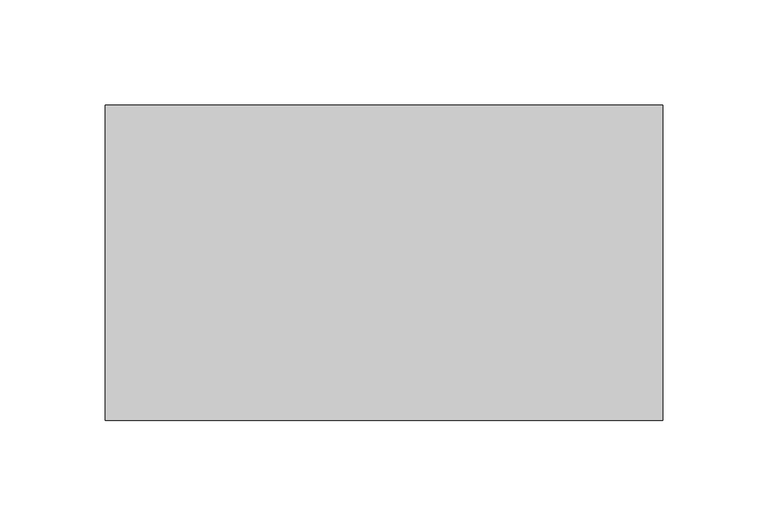
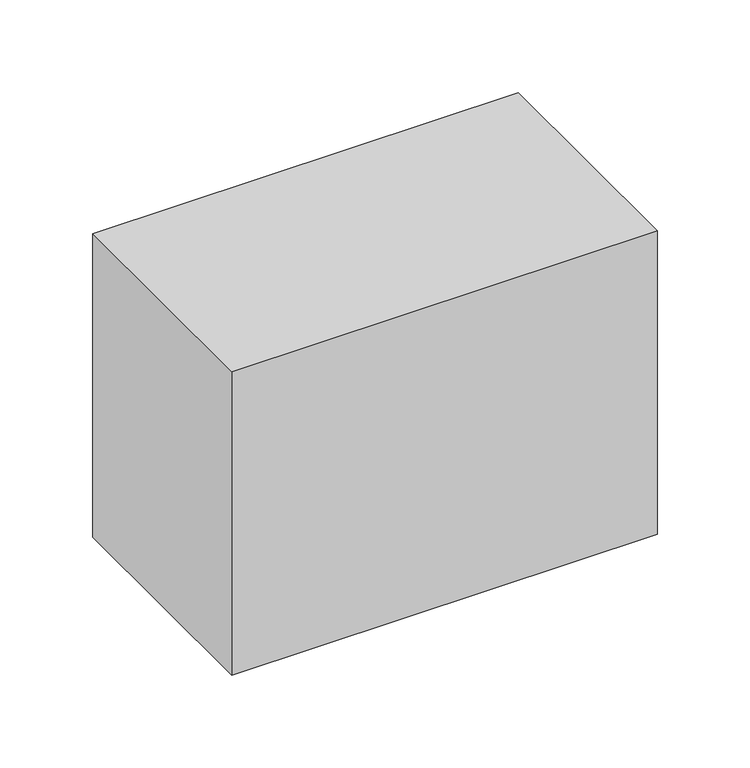
"""IFC4 building model written with IfcOpenShell, lengths in millimetres: proxy geometry."""

from ifc_helpers import new_model, si_unit, frame, origin, place, context, project, spatial, polyline, outline, extrude, source, transform, mapped, element, save


def generic_models_43026be4(model_context):
    return source(origin(), model_context, "Body", "SweptSolid", [
        extrude(outline(polyline([(132.5, 75.0), (132.5, -75.0), (-132.5, -75.0), (-132.5, 75.0), (132.5, 75.0)])), frame((0.0, 0.0, -200.0), z_axis=(0.0, 0.0, 1.0), x_axis=(1.0, 0.0, 0.0)), (0.0, 0.0, 1.0), 200.0),
    ])


if __name__ == "__main__":
    model = new_model("IFC4")
    model_context = context("Model", 3, world=origin())
    ifc_project = project(units=[si_unit("LENGTHUNIT", "METRE", prefix="MILLI")], contexts=[model_context])
    site = spatial("IfcSite", under=ifc_project)
    building = spatial("IfcBuilding", under=site)
    placement = place(None, origin())
    generic_models_shape = generic_models_43026be4(model_context)
    element("IfcBuildingElementProxy", 1, Name="Generic Models", at=placement, inside=building, context=model_context, shape_type="MappedRepresentation", body=[
        mapped(generic_models_shape, transform((0.0, 0.0, 0.0), x_axis=(1.0, 0.0, 0.0), y_axis=(0.0, 1.0, 0.0), z_axis=(0.0, 0.0, 1.0))),
    ])
    save(model, "model.ifc")
